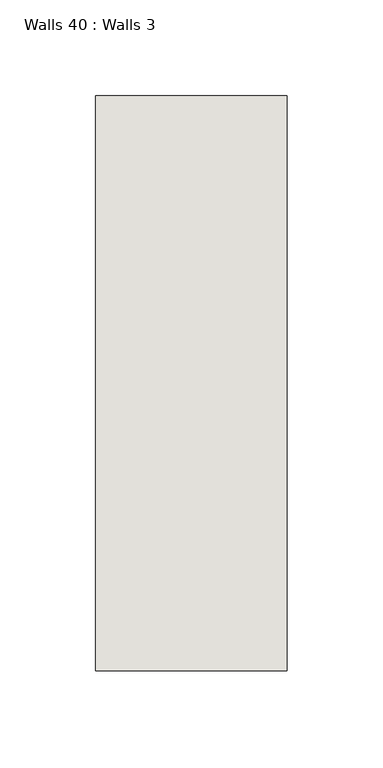
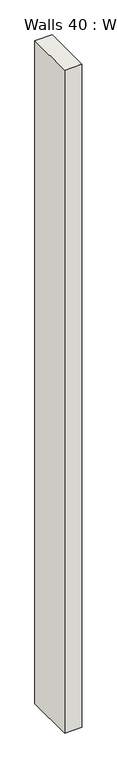
"""IFC4 building model written with IfcOpenShell, lengths in millimetres: wall geometry, Walls 40 : Walls 3."""

from ifc_helpers import new_model, si_unit, origin, origin_with_axes, place, context, project, spatial, polyline, outline, extrude, source, transform, mapped, element, save


def walls_40_walls_3_61e7a332(model_context):
    return source(origin(), model_context, "Body", "SweptSolid", [
        extrude(outline(polyline([(-1212.3812655, 1518.41264), (-1212.3812655, 1818.41264), (-1112.3812655, 1818.41264), (-1112.3812655, 1518.41264), (-1212.3812655, 1518.41264)])), origin_with_axes(), (0.0, 0.0, 1.0), 4085.1192828),
    ])


if __name__ == "__main__":
    model = new_model("IFC4")
    model_context = context("Model", 3, world=origin())
    ifc_project = project(units=[si_unit("LENGTHUNIT", "METRE", prefix="MILLI")], contexts=[model_context])
    site = spatial("IfcSite", under=ifc_project)
    building = spatial("IfcBuilding", under=site)
    placement = place(None, origin())
    walls_40_walls_3_shape = walls_40_walls_3_61e7a332(model_context)
    element("IfcWall", 1, ObjectType="Walls 40 : Walls 3", at=placement, inside=building, context=model_context, shape_type="MappedRepresentation", body=[
        mapped(walls_40_walls_3_shape, transform((0.0, 0.0, 0.0), x_axis=(1.0, 0.0, 0.0), y_axis=(0.0, 1.0, 0.0), z_axis=(0.0, 0.0, 1.0))),
    ])
    save(model, "model.ifc")
